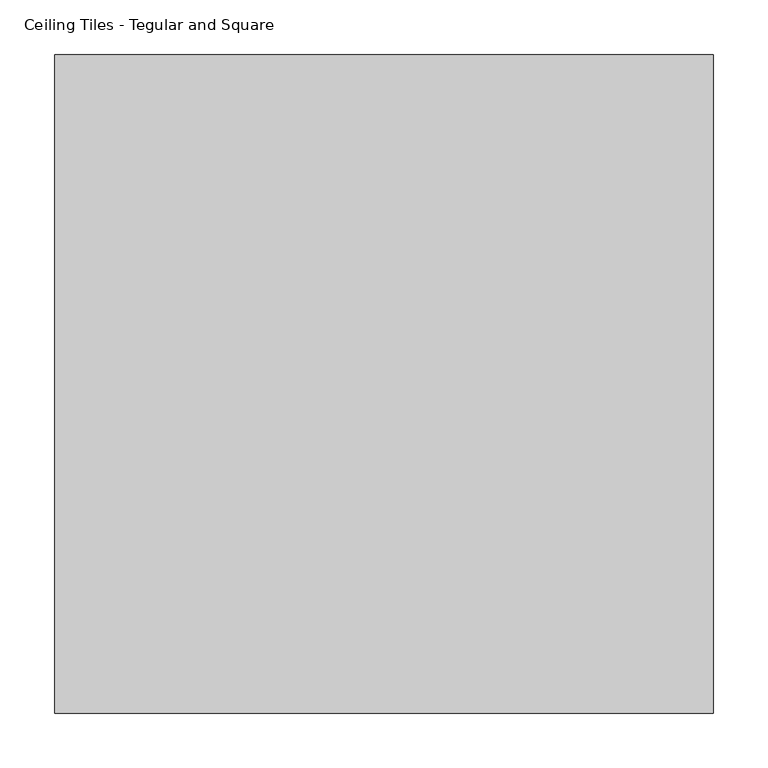
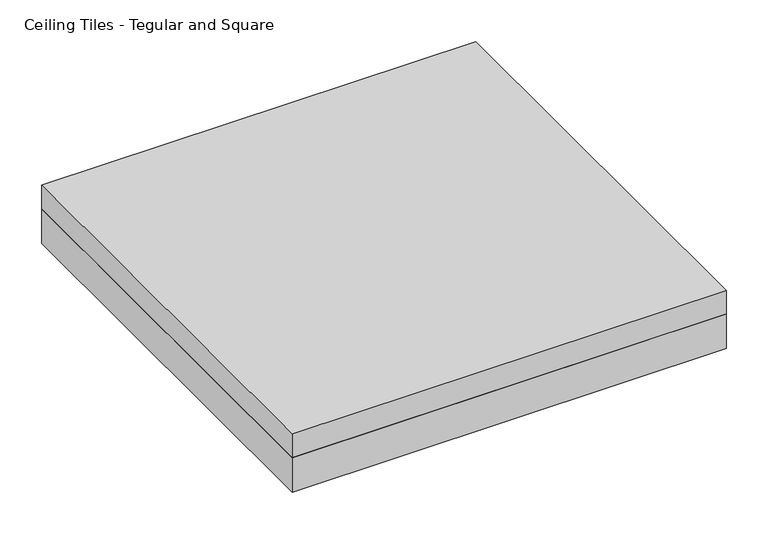
"""IFC4 building model written with IfcOpenShell, lengths in millimetres: proxy geometry, Ceiling Tiles - Tegular and Square."""

import ifcopenshell
import ifcopenshell.guid

model = None  # the IFC model being written
_history = None  # IfcOwnerHistory: only IFC2X3 demands one
_inside = {}  # id of a spatial element -> (the spatial element, [elements in it])
_under = {}  # id of a project, library or spatial element -> (it, [spatial elements below it])
_declared = {}  # id of a project -> (the project, [libraries it declares])
_typed = {}  # id of a type object -> (the type object, [elements of that type])
_made_of = {}  # id of a material, layer set ... -> (it, [elements and type objects made of it])


def new_model(schema):
    """Start an empty IFC model of exactly this schema.

    Asked for "IFC4X3", IfcOpenShell would pick the latest addendum, in which some entities
    have other attributes; the version numbers below select the first issue.
    IFC2X3 requires an IfcOwnerHistory on every rooted entity: one is made here for all.
    """
    global model, _history
    if schema == "IFC4X3":
        model = ifcopenshell.file(schema_version=(4, 3, 0, 0))
    else:
        model = ifcopenshell.file(schema=schema)
    _inside.clear()
    _under.clear()
    _declared.clear()
    _typed.clear()
    _made_of.clear()
    _history = None
    if model.schema == "IFC2X3":
        org = make("IfcOrganization", Name="unknown")
        user = make(
            "IfcPersonAndOrganization",
            ThePerson=make("IfcPerson", FamilyName="unknown"),
            TheOrganization=org,
        )
        app = make(
            "IfcApplication",
            ApplicationDeveloper=org,
            Version="unknown",
            ApplicationFullName="unknown",
            ApplicationIdentifier="unknown",
        )
        _history = make(
            "IfcOwnerHistory",
            OwningUser=user,
            OwningApplication=app,
            ChangeAction="ADDED",
            CreationDate=0,
        )
    return model


def make(cls, **values):
    """One entity of the class cls with the attributes given. An attribute that is None is left unset."""
    return model.create_entity(
        cls, **{name: value for name, value in values.items() if value is not None}
    )


def rooted(cls, **values):
    """An entity with a GlobalId (a new one), such as an element, a storey or a relation."""
    return make(cls, GlobalId=ifcopenshell.guid.new(), OwnerHistory=_history, **values)


def si_unit(unit_type, name, prefix=None):
    """IfcSIUnit, for example si_unit("LENGTHUNIT", "METRE", prefix="MILLI")."""
    return make("IfcSIUnit", UnitType=unit_type, Prefix=prefix, Name=name)


def assignment(units):
    """IfcUnitAssignment: the units of a project."""
    return None if units is None else make("IfcUnitAssignment", Units=units)


def point(xyz):
    """IfcCartesianPoint."""
    return None if xyz is None else make("IfcCartesianPoint", Coordinates=xyz)


def direction(xyz):
    """IfcDirection."""
    return None if xyz is None else make("IfcDirection", DirectionRatios=xyz)


def frame(location, z_axis=None, x_axis=None):
    """IfcAxis2Placement3D, a coordinate frame: its origin and axes. An axis left out is left unset."""
    return make(
        "IfcAxis2Placement3D",
        Location=point(location),
        Axis=direction(z_axis),
        RefDirection=direction(x_axis),
    )


def origin():
    """The frame at (0, 0, 0) with its axes left unset."""
    return frame((0.0, 0.0, 0.0))


def origin_with_axes():
    """The frame at (0, 0, 0) with the z axis (0, 0, 1) and the x axis (1, 0, 0) written out."""
    return frame((0.0, 0.0, 0.0), z_axis=(0.0, 0.0, 1.0), x_axis=(1.0, 0.0, 0.0))


def place(relative_to, where):
    """IfcLocalPlacement: puts the frame where relative to a parent placement (None: the world)."""
    return make(
        "IfcLocalPlacement", PlacementRelTo=relative_to, RelativePlacement=where
    )


def context(
    kind, dimensions, precision=None, world=None, true_north=None, identifier=None
):
    """IfcGeometricRepresentationContext, for example the 3D "Model" context."""
    return make(
        "IfcGeometricRepresentationContext",
        ContextIdentifier=identifier,
        ContextType=kind,
        CoordinateSpaceDimension=dimensions,
        Precision=precision,
        WorldCoordinateSystem=world,
        TrueNorth=true_north,
    )


def project(units=None, contexts=None):
    """IfcProject with its units and contexts."""
    return rooted(
        "IfcProject",
        Name="project",
        RepresentationContexts=contexts,
        UnitsInContext=assignment(units),
    )


def spatial(cls, under=None, at=None, **own):
    """A site, building, storey or space (cls), placed at a placement, below another one or the project."""
    s = rooted(cls, ObjectPlacement=at, **own)
    if under is not None:
        _under.setdefault(under.id(), (under, []))[1].append(s)
    return s


def polyline(points):
    """IfcPolyline through the points."""
    return make("IfcPolyline", Points=[point(p) for p in points])


def outline(outer, holes=None, kind="AREA"):
    """IfcArbitraryClosedProfileDef: a profile drawn as a closed curve; with holes, ...WithVoids."""
    if holes is None:
        return make("IfcArbitraryClosedProfileDef", ProfileType=kind, OuterCurve=outer)
    return make(
        "IfcArbitraryProfileDefWithVoids",
        ProfileType=kind,
        OuterCurve=outer,
        InnerCurves=holes,
    )


def extrude(swept, where, along, depth):
    """IfcExtrudedAreaSolid: the profile swept, set in the frame where, extruded along a direction by depth."""
    return make(
        "IfcExtrudedAreaSolid",
        SweptArea=swept,
        Position=where,
        ExtrudedDirection=direction(along),
        Depth=depth,
    )


def shape(context_of_items, identifier, shape_type, items):
    """IfcShapeRepresentation: the items that make up one representation, for example the "Body"."""
    return make(
        "IfcShapeRepresentation",
        ContextOfItems=context_of_items,
        RepresentationIdentifier=identifier,
        RepresentationType=shape_type,
        Items=items,
    )


def source(mapping_origin, context_of_items, identifier, shape_type, items):
    """IfcRepresentationMap: a shape defined once, which mapped items show again and again."""
    return make(
        "IfcRepresentationMap",
        MappingOrigin=mapping_origin,
        MappedRepresentation=shape(context_of_items, identifier, shape_type, items),
    )


def transform(
    local_origin,
    x_axis=None,
    y_axis=None,
    z_axis=None,
    scale=None,
    scale2=None,
    scale3=None,
    uniform=True,
):
    """IfcCartesianTransformationOperator3D, or its non-uniform kind. x_axis, y_axis, z_axis: its Axis1, 2, 3."""
    if uniform:
        return make(
            "IfcCartesianTransformationOperator3D",
            Axis1=direction(x_axis),
            Axis2=direction(y_axis),
            LocalOrigin=point(local_origin),
            Scale=scale,
            Axis3=direction(z_axis),
        )
    return make(
        "IfcCartesianTransformationOperator3DnonUniform",
        Axis1=direction(x_axis),
        Axis2=direction(y_axis),
        LocalOrigin=point(local_origin),
        Scale=scale,
        Axis3=direction(z_axis),
        Scale2=scale2,
        Scale3=scale3,
    )


def mapped(mapping_source, mapping_target):
    """IfcMappedItem: shows the shape of a source again, moved by a transform."""
    return make(
        "IfcMappedItem", MappingSource=mapping_source, MappingTarget=mapping_target
    )


def made_of(thing, what):
    """Note that an element or type object is made of a material, layer set ...; save() writes the relation."""
    if what is not None:
        _made_of.setdefault(what.id(), (what, []))[1].append(thing)
    return thing


def element(
    cls,
    number,
    at=None,
    inside=None,
    cuts=None,
    type_object=None,
    material=None,
    context=None,
    identifier="Body",
    shape_type=None,
    held_by="IfcProductDefinitionShape",
    body=None,
    shapes=None,
    **own,
):
    """One element of the class cls, such as IfcWall. Its Tag is "e" and its number.

    at: its placement. inside: the storey or other place that contains it. cuts: it is an
    opening in that element (IfcRelVoidsElement). A single representation is given by context,
    identifier, shape_type and body (its items); several are given by shapes. held_by: the class
    of the entity that holds the representations. save() writes the other relations.
    """
    e = rooted(cls, Tag="e%d" % number, ObjectPlacement=at, **own)
    if body is not None:
        shapes = [shape(context, identifier, shape_type, body)]
    if shapes is not None:
        e.Representation = make(held_by, Representations=shapes)
    if inside is not None:
        _inside.setdefault(inside.id(), (inside, []))[1].append(e)
    if cuts is not None:
        rooted(
            "IfcRelVoidsElement", RelatingBuildingElement=cuts, RelatedOpeningElement=e
        )
    if type_object is not None:
        _typed.setdefault(type_object.id(), (type_object, []))[1].append(e)
    return made_of(e, material)


def aggregate(whole, parts):
    """IfcRelAggregates: a whole, such as a stair, and the parts it consists of."""
    return rooted("IfcRelAggregates", RelatingObject=whole, RelatedObjects=parts)


def save(model, path):
    """Write the relations noted so far, then the file.

    IfcRelAggregates (storeys below a building ...), IfcRelContainedInSpatialStructure (elements
    in a storey), IfcRelDefinesByType, IfcRelAssociatesMaterial and IfcRelDeclares: one each for
    every whole, place, type object, material and project.
    """
    for whole, parts in _under.values():
        aggregate(whole, parts)
    for where, things in _inside.values():
        rooted(
            "IfcRelContainedInSpatialStructure",
            RelatedElements=things,
            RelatingStructure=where,
        )
    for kind, things in _typed.values():
        rooted("IfcRelDefinesByType", RelatedObjects=things, RelatingType=kind)
    for what, things in _made_of.values():
        rooted("IfcRelAssociatesMaterial", RelatedObjects=things, RelatingMaterial=what)
    for by, libraries in _declared.values():
        rooted("IfcRelDeclares", RelatingContext=by, RelatedDefinitions=libraries)
    model.write(path)


def ceiling_tiles_tegular_and_square_9df809bb(model_context):
    return source(origin(), model_context, "Body", "SweptSolid", [
        extrude(outline(polyline([(301.625, 301.625), (301.625, -301.625), (-301.625, -301.625), (-301.625, 301.625), (301.625, 301.625)])), origin_with_axes(), (0.0, 0.0, 1.0), 50.8),
        extrude(outline(polyline([(-301.625, 301.625), (301.625, 301.625), (301.625, -301.625), (-301.625, -301.625), (-301.625, 301.625)])), frame((0.0, 0.0, 50.8), z_axis=(0.0, 0.0, 1.0), x_axis=(1.0, 0.0, 0.0)), (0.0, 0.0, 1.0), 34.925),
    ])


if __name__ == "__main__":
    model = new_model("IFC4")
    model_context = context("Model", 3, world=origin())
    ifc_project = project(units=[si_unit("LENGTHUNIT", "METRE", prefix="MILLI")], contexts=[model_context])
    site = spatial("IfcSite", under=ifc_project)
    building = spatial("IfcBuilding", under=site)
    placement = place(None, origin())
    ceiling_tiles_tegular_and_square_shape = ceiling_tiles_tegular_and_square_9df809bb(model_context)
    element("IfcBuildingElementProxy", 1, Name="Ceiling Tiles - Tegular and Square", ObjectType="Ceiling Tiles - Tegular and Square", at=placement, inside=building, context=model_context, shape_type="MappedRepresentation", body=[
        mapped(ceiling_tiles_tegular_and_square_shape, transform((0.0, 0.0, 0.0), x_axis=(1.0, 0.0, 0.0), y_axis=(0.0, 1.0, 0.0), z_axis=(0.0, 0.0, 1.0))),
    ])
    save(model, "model.ifc")
